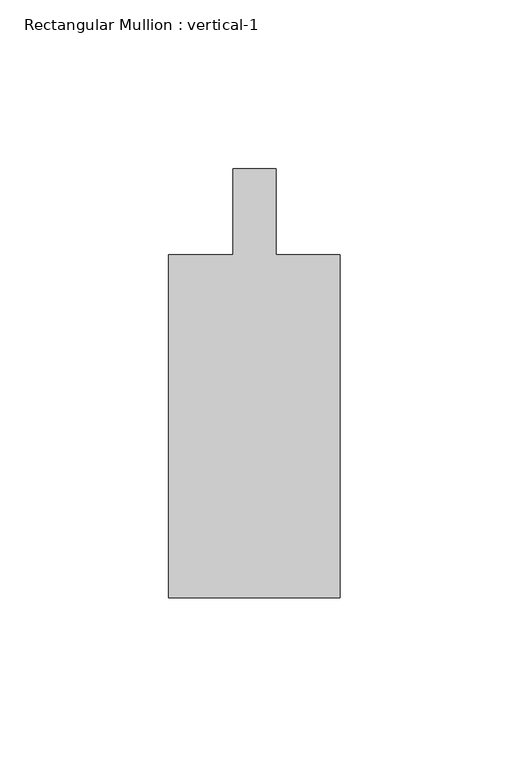
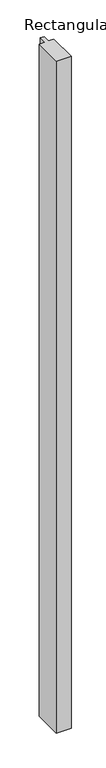
"""IFC4 building model written with IfcOpenShell, lengths in millimetres: member geometry, Rectangular Mullion : vertical-1."""

from ifc_helpers import new_model, si_unit, frame, origin, place, context, project, spatial, polyline, outline, extrude, source, transform, mapped, element, save


def rectangular_mullion_vertical_1_8b2faaa0(model_context):
    return source(origin(), model_context, "Body", "SweptSolid", [
        extrude(outline(polyline([(25.4001903, -146.0500274), (-25.3998097, -146.0500274), (-25.3998097, -44.4500274), (-6.3498097, -44.4500274), (-6.3498097, -19.0500549), (6.3498097, -19.0500549), (6.3498097, -44.4500274), (25.4001903, -44.4500274), (25.4001903, -146.0500274)])), frame((0.0, 0.0, -2438.4), z_axis=(0.0, 0.0, 1.0), x_axis=(1.0, 0.0, 0.0)), (0.0, 0.0, 1.0), 2438.4),
    ])


if __name__ == "__main__":
    model = new_model("IFC4")
    model_context = context("Model", 3, world=origin())
    ifc_project = project(units=[si_unit("LENGTHUNIT", "METRE", prefix="MILLI")], contexts=[model_context])
    site = spatial("IfcSite", under=ifc_project)
    building = spatial("IfcBuilding", under=site)
    placement = place(None, origin())
    rectangular_mullion_vertical_1_shape = rectangular_mullion_vertical_1_8b2faaa0(model_context)
    element("IfcMember", 1, ObjectType="Rectangular Mullion : vertical-1", at=placement, inside=building, context=model_context, shape_type="MappedRepresentation", body=[
        mapped(rectangular_mullion_vertical_1_shape, transform((0.0, 0.0, 0.0), x_axis=(1.0, 0.0, 0.0), y_axis=(0.0, 1.0, 0.0), z_axis=(0.0, 0.0, 1.0))),
    ])
    save(model, "model.ifc")
